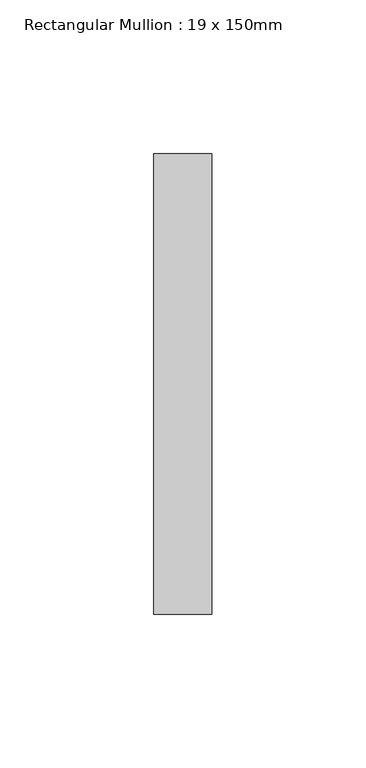
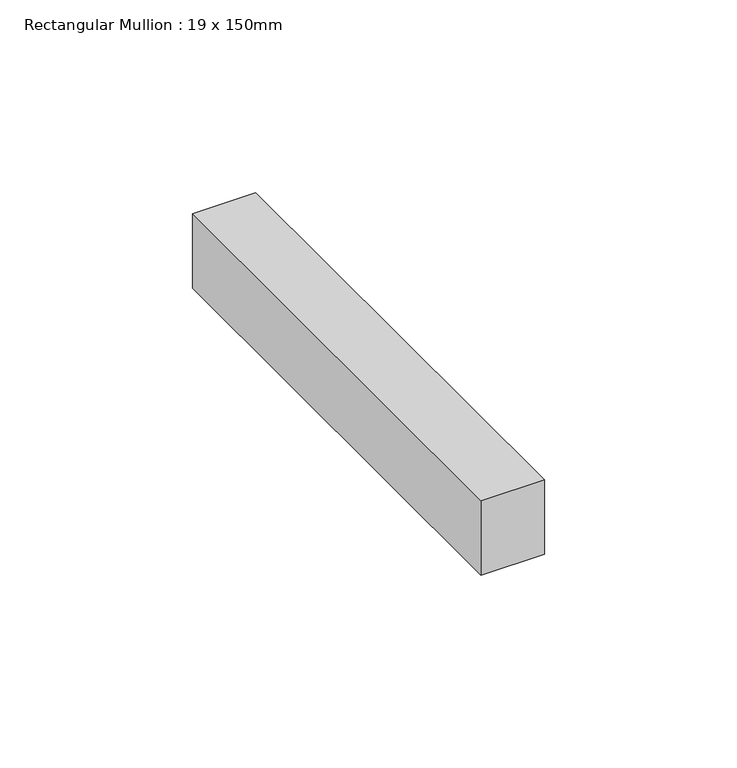
"""IFC4 building model written with IfcOpenShell, lengths in millimetres: member geometry, Rectangular Mullion : 19 x 150mm."""

from ifc_helpers import new_model, si_unit, frame, origin, place, context, project, spatial, polyline, outline, extrude, source, transform, mapped, element, save


def rectangular_mullion_19_x_150mm_e97ad8c2(model_context):
    return source(origin(), model_context, "Body", "SweptSolid", [
        extrude(outline(polyline([(9.5, -25.0), (9.5, -175.0), (-9.5, -175.0), (-9.5, -25.0), (9.5, -25.0)])), frame((0.0, 0.0, -23.7272915), z_axis=(0.0, 0.0, 1.0), x_axis=(1.0, 0.0, 0.0)), (0.0, 0.0, 1.0), 23.7272915),
    ])


if __name__ == "__main__":
    model = new_model("IFC4")
    model_context = context("Model", 3, world=origin())
    ifc_project = project(units=[si_unit("LENGTHUNIT", "METRE", prefix="MILLI")], contexts=[model_context])
    site = spatial("IfcSite", under=ifc_project)
    building = spatial("IfcBuilding", under=site)
    placement = place(None, origin())
    rectangular_mullion_19_x_150mm_shape = rectangular_mullion_19_x_150mm_e97ad8c2(model_context)
    element("IfcMember", 1, ObjectType="Rectangular Mullion : 19 x 150mm", at=placement, inside=building, context=model_context, shape_type="MappedRepresentation", body=[
        mapped(rectangular_mullion_19_x_150mm_shape, transform((0.0, 0.0, 0.0), x_axis=(1.0, 0.0, 0.0), y_axis=(0.0, 1.0, 0.0), z_axis=(0.0, 0.0, 1.0))),
    ])
    save(model, "model.ifc")
